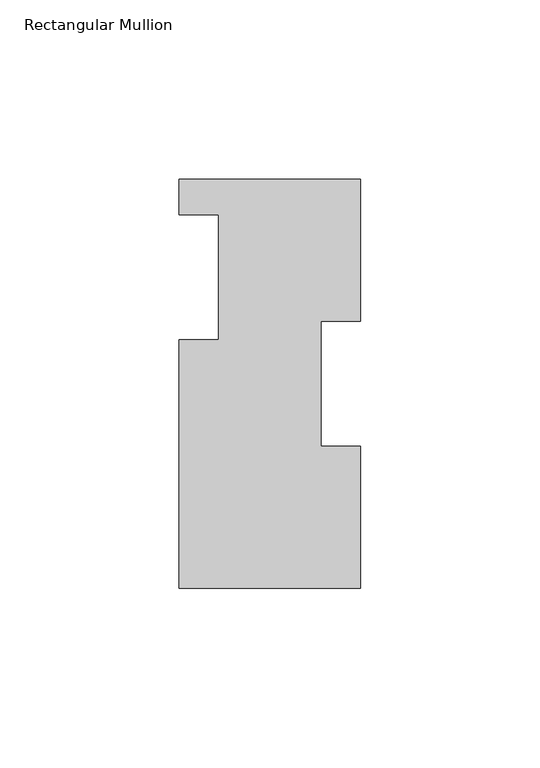
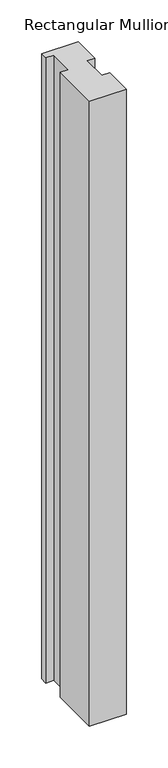
"""IFC4 building model written with IfcOpenShell, lengths in millimetres: member geometry, Rectangular Mullion."""

from ifc_helpers import new_model, si_unit, frame, origin, place, context, project, spatial, polyline, outline, extrude, source, transform, mapped, element, save


def rectangular_mullion_86dbde41(model_context):
    return source(origin(), model_context, "Body", "SweptSolid", [
        extrude(outline(polyline([(25.4, 114.0729875), (25.4, 74.3981875), (14.2875, 74.3981875), (14.2875, 39.4477875), (25.4, 39.4477875), (25.4, -0.2270125), (-25.4, -0.2270125), (-25.4, 69.2419875), (-14.2875, 69.2419875), (-14.2875, 104.1669875), (-25.4, 104.1669875), (-25.4, 114.0729875), (25.4, 114.0729875)])), frame((0.0, 0.0, -914.4), z_axis=(0.0, 0.0, 1.0), x_axis=(1.0, 0.0, 0.0)), (0.0, 0.0, 1.0), 914.4),
    ])


if __name__ == "__main__":
    model = new_model("IFC4")
    model_context = context("Model", 3, world=origin())
    ifc_project = project(units=[si_unit("LENGTHUNIT", "METRE", prefix="MILLI")], contexts=[model_context])
    site = spatial("IfcSite", under=ifc_project)
    building = spatial("IfcBuilding", under=site)
    placement = place(None, origin())
    rectangular_mullion_shape = rectangular_mullion_86dbde41(model_context)
    element("IfcMember", 1, ObjectType="Rectangular Mullion", at=placement, inside=building, context=model_context, shape_type="MappedRepresentation", body=[
        mapped(rectangular_mullion_shape, transform((0.0, 0.0, 0.0), x_axis=(1.0, 0.0, 0.0), y_axis=(0.0, 1.0, 0.0), z_axis=(0.0, 0.0, 1.0))),
    ])
    save(model, "model.ifc")
